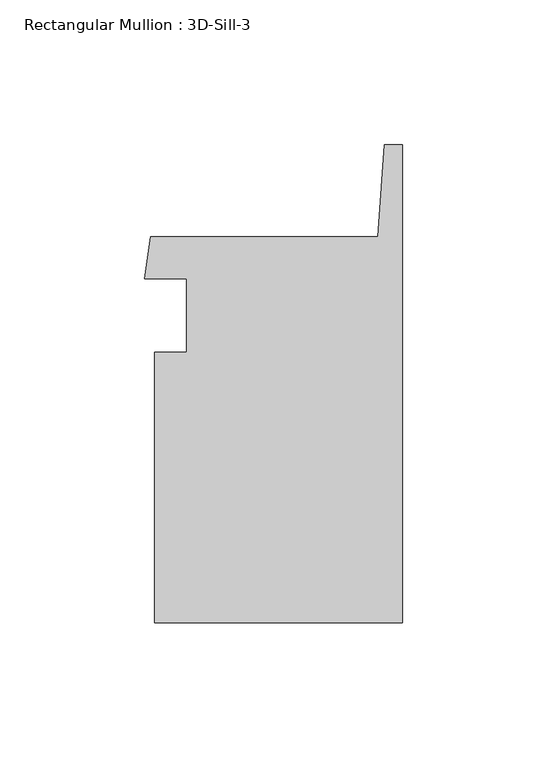
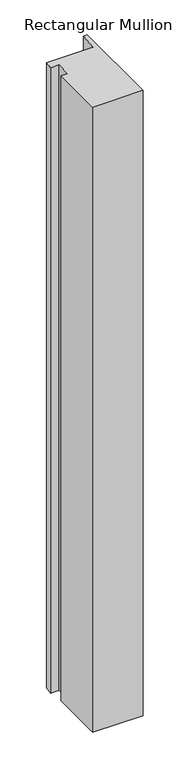
"""IFC4 building model written with IfcOpenShell, lengths in millimetres: member geometry, Rectangular Mullion : 3D-Sill-3."""

from ifc_helpers import new_model, si_unit, frame, origin, place, context, project, spatial, polyline, outline, extrude, source, transform, mapped, element, save


def rectangular_mullion_3d_sill_3_cfda489c(model_context):
    return source(origin(), model_context, "Body", "SweptSolid", [
        extrude(outline(polyline([(-8.4318503, 53.9749687), (-6.2325161, 85.7250313), (0.0, 85.7250313), (0.0, -79.3749687), (-85.7253502, -79.3749687), (-85.7253502, 14.0733389), (-74.6128502, 14.0733389), (-74.6128502, 39.4664162), (-89.1220628, 39.4664162), (-87.0657325, 53.9749687), (-8.4318503, 53.9749687)])), frame((0.0, 0.0, -1126.6781188), z_axis=(0.0, 0.0, 1.0), x_axis=(1.0, 0.0, 0.0)), (0.0, 0.0, 1.0), 1126.6781188),
    ])


if __name__ == "__main__":
    model = new_model("IFC4")
    model_context = context("Model", 3, world=origin())
    ifc_project = project(units=[si_unit("LENGTHUNIT", "METRE", prefix="MILLI")], contexts=[model_context])
    site = spatial("IfcSite", under=ifc_project)
    building = spatial("IfcBuilding", under=site)
    placement = place(None, origin())
    rectangular_mullion_3d_sill_3_shape = rectangular_mullion_3d_sill_3_cfda489c(model_context)
    element("IfcMember", 1, ObjectType="Rectangular Mullion : 3D-Sill-3", at=placement, inside=building, context=model_context, shape_type="MappedRepresentation", body=[
        mapped(rectangular_mullion_3d_sill_3_shape, transform((0.0, 0.0, 0.0), x_axis=(1.0, 0.0, 0.0), y_axis=(0.0, 1.0, 0.0), z_axis=(0.0, 0.0, 1.0))),
    ])
    save(model, "model.ifc")
